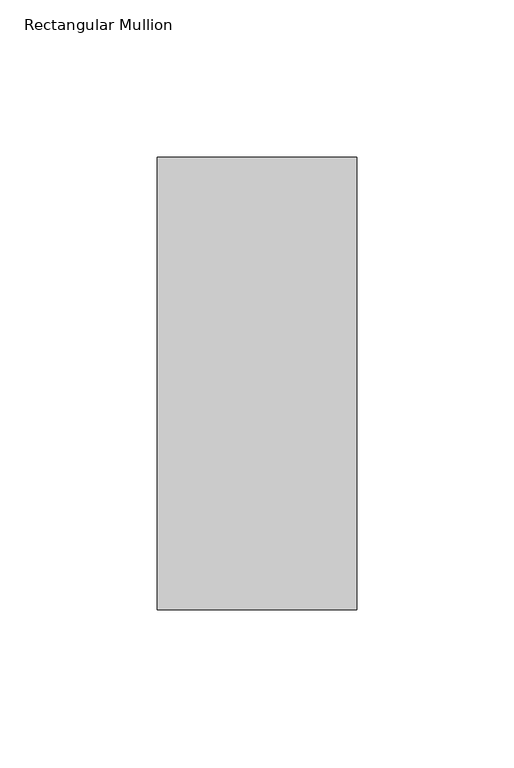
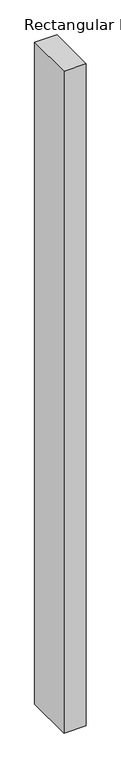
"""IFC4 building model written with IfcOpenShell, lengths in millimetres: member geometry, Rectangular Mullion."""

from ifc_helpers import new_model, si_unit, frame, origin, place, context, project, spatial, polyline, outline, extrude, source, transform, mapped, element, save


def rectangular_mullion_e33e3d75(model_context):
    return source(origin(), model_context, "Body", "SweptSolid", [
        extrude(outline(polyline([(31.7499999, 190.7881312), (31.7499999, 46.7447302), (-31.7499998, 46.7447302), (-31.7499998, 190.7881312), (31.7499999, 190.7881312)])), frame((0.0, 0.0, -1993.9000004), z_axis=(0.0, 0.0, 1.0), x_axis=(1.0, 0.0, 0.0)), (0.0, 0.0, 1.0), 1993.9000004),
    ])


if __name__ == "__main__":
    model = new_model("IFC4")
    model_context = context("Model", 3, world=origin())
    ifc_project = project(units=[si_unit("LENGTHUNIT", "METRE", prefix="MILLI")], contexts=[model_context])
    site = spatial("IfcSite", under=ifc_project)
    building = spatial("IfcBuilding", under=site)
    placement = place(None, origin())
    rectangular_mullion_shape = rectangular_mullion_e33e3d75(model_context)
    element("IfcMember", 1, ObjectType="Rectangular Mullion", at=placement, inside=building, context=model_context, shape_type="MappedRepresentation", body=[
        mapped(rectangular_mullion_shape, transform((0.0, 0.0, 0.0), x_axis=(1.0, 0.0, 0.0), y_axis=(0.0, 1.0, 0.0), z_axis=(0.0, 0.0, 1.0))),
    ])
    save(model, "model.ifc")
